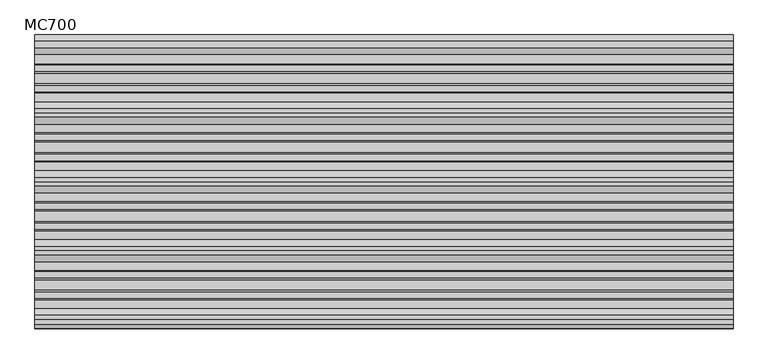
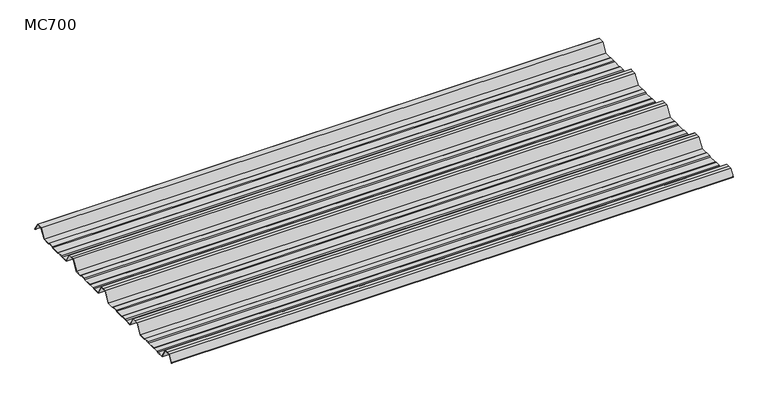
"""IFC4 building model written with IfcOpenShell, lengths in millimetres: beam geometry, MC700."""

from ifc_helpers import new_model, si_unit, point, frame, frame_2d, origin, place, context, project, spatial, polyline, circle_curve, trimmed, segment, composite_curve, outline, extrude, source, transform, mapped, element, save


def mc700_3d3c112c(model_context):
    return source(origin(), model_context, "Body", "SweptSolid", [
        extrude(outline(composite_curve([segment(polyline([(-279.7790109, -25.7896475), (-284.1593286, -23.7494212), (-300.5873198, -23.7494212), (-303.802364, -25.7896475), (-326.5000016, -25.7896475), (-344.5745116, 5.2103525), (-355.0, 5.2103525), (-365.4254884, 5.2103525), (-383.4999984, -25.7896475), (-406.197636, -25.7896475), (-409.4126802, -23.7494212), (-425.8406714, -23.7494212), (-430.2209891, -25.7896475), (-457.2790109, -25.7896475), (-461.6593286, -23.7494212), (-478.0873198, -23.7494212), (-481.302364, -25.7896475), (-504.0000016, -25.7896475), (-522.0745116, 5.2103525), (-532.5, 5.2103525), (-542.9254884, 5.2103525), (-560.9999984, -25.7896475), (-583.697636, -25.7896475), (-586.9126802, -23.7494212), (-603.3406714, -23.7494212), (-607.7209891, -25.7896475), (-634.7790109, -25.7896475), (-639.1593286, -23.7494212), (-655.5873198, -23.7494212), (-658.802364, -25.7896475), (-681.5000016, -25.7896475), (-699.5745116, 5.2103525), (-710.0, 5.2103525), (-720.4254884, 5.2103525), (-732.728303, -15.8904825)]), True, "CONTINUOUS"), segment(trimmed(circle_curve(frame_2d((-733.160246, -15.6386387)), 0.5), [point((-732.728303, -15.8904825))], [point((-733.5921889, -15.3867949))], False, "CARTESIAN"), True, "CONTINUOUS"), segment(polyline([(-733.5921889, -15.3867949), (-721.0, 6.2103525), (-710.0, 6.2103525), (-699.0, 6.2103525), (-680.92549, -24.7896475), (-659.0928785, -24.7896475), (-655.8778343, -22.7494212), (-638.9378651, -22.7494212), (-634.5575473, -24.7896475), (-607.9424527, -24.7896475), (-603.5621349, -22.7494212), (-586.6221657, -22.7494212), (-583.4071215, -24.7896475), (-561.57451, -24.7896475), (-543.5, 6.2103525), (-532.5, 6.2103525), (-521.5, 6.2103525), (-503.42549, -24.7896475), (-481.5928785, -24.7896475), (-478.3778343, -22.7494212), (-461.4378651, -22.7494212), (-457.0575473, -24.7896475), (-430.4424527, -24.7896475), (-426.0621349, -22.7494212), (-409.1221657, -22.7494212), (-405.9071215, -24.7896475), (-384.07451, -24.7896475), (-366.0, 6.2103525), (-355.0, 6.2103525), (-344.0, 6.2103525), (-325.92549, -24.7896475), (-304.0928785, -24.7896475), (-300.8778343, -22.7494212), (-283.9378651, -22.7494212), (-279.5575473, -24.7896475), (-252.9424527, -24.7896475), (-248.5621349, -22.7494212), (-231.6221657, -22.7494212), (-228.4071215, -24.7896475), (-206.57451, -24.7896475), (-188.5, 6.2103525), (-177.5, 6.2103525), (-166.5, 6.2103525), (-148.42549, -24.7896475), (-126.5928785, -24.7896475), (-123.3778343, -22.7494212), (-106.4378651, -22.7494212), (-102.0575473, -24.7896475), (-75.4424527, -24.7896475), (-71.0621349, -22.7494212), (-54.1221657, -22.7494212), (-50.9071215, -24.7896475), (-26.7593894, -24.7896475), (-9.8509769, 4.2103525), (9.8509769, 4.2103525), (24.2964926, -20.5654776)]), True, "CONTINUOUS"), segment(trimmed(circle_curve(frame_2d((23.8645497, -20.8173214)), 0.5), [point((24.2964926, -20.5654776))], [point((23.4326067, -21.0691651))], False, "CARTESIAN"), True, "CONTINUOUS"), segment(polyline([(23.4326067, -21.0691651), (9.2764653, 3.2103525), (-9.2764653, 3.2103525), (-26.1848779, -25.7896475), (-51.197636, -25.7896475), (-54.4126802, -23.7494212), (-70.8406714, -23.7494212), (-75.2209891, -25.7896475), (-102.2790109, -25.7896475), (-106.6593286, -23.7494212), (-123.0873198, -23.7494212), (-126.302364, -25.7896475), (-149.0000016, -25.7896475), (-167.0745116, 5.2103525), (-177.5, 5.2103525), (-187.9254884, 5.2103525), (-205.9999984, -25.7896475), (-228.697636, -25.7896475), (-231.9126802, -23.7494212), (-248.3406714, -23.7494212), (-252.7209891, -25.7896475), (-279.7790109, -25.7896475)]), True, "CONTINUOUS")], self_intersect=False)), frame((-900.0, 0.0, 0.0), z_axis=(1.0, 0.0, 0.0), x_axis=(0.0, 1.0, 0.0)), (0.0, 0.0, 1.0), 1800.0),
    ])


if __name__ == "__main__":
    model = new_model("IFC4")
    model_context = context("Model", 3, world=origin())
    ifc_project = project(units=[si_unit("LENGTHUNIT", "METRE", prefix="MILLI")], contexts=[model_context])
    site = spatial("IfcSite", under=ifc_project)
    building = spatial("IfcBuilding", under=site)
    placement = place(None, origin())
    mc700_shape = mc700_3d3c112c(model_context)
    element("IfcBeam", 1, ObjectType="MC700", at=placement, inside=building, context=model_context, shape_type="MappedRepresentation", body=[
        mapped(mc700_shape, transform((0.0, 0.0, 0.0), x_axis=(1.0, 0.0, 0.0), y_axis=(0.0, 1.0, 0.0), z_axis=(0.0, 0.0, 1.0))),
    ])
    save(model, "model.ifc")
